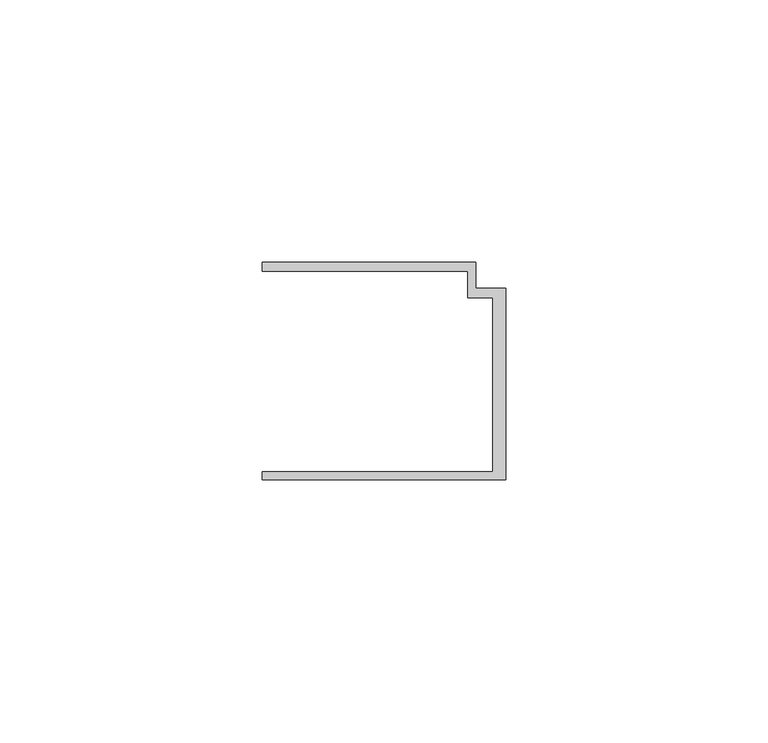
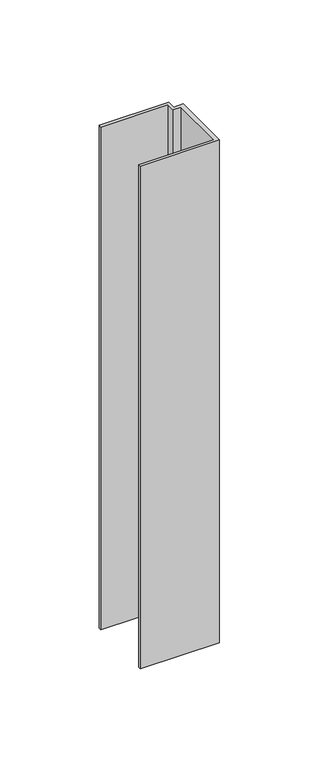
"""IFC4 building model written with IfcOpenShell, lengths in millimetres: member geometry."""

import ifcopenshell
import ifcopenshell.guid

model = None  # the IFC model being written
_history = None  # IfcOwnerHistory: only IFC2X3 demands one
_inside = {}  # id of a spatial element -> (the spatial element, [elements in it])
_under = {}  # id of a project, library or spatial element -> (it, [spatial elements below it])
_declared = {}  # id of a project -> (the project, [libraries it declares])
_typed = {}  # id of a type object -> (the type object, [elements of that type])
_made_of = {}  # id of a material, layer set ... -> (it, [elements and type objects made of it])


def new_model(schema):
    """Start an empty IFC model of exactly this schema.

    Asked for "IFC4X3", IfcOpenShell would pick the latest addendum, in which some entities
    have other attributes; the version numbers below select the first issue.
    IFC2X3 requires an IfcOwnerHistory on every rooted entity: one is made here for all.
    """
    global model, _history
    if schema == "IFC4X3":
        model = ifcopenshell.file(schema_version=(4, 3, 0, 0))
    else:
        model = ifcopenshell.file(schema=schema)
    _inside.clear()
    _under.clear()
    _declared.clear()
    _typed.clear()
    _made_of.clear()
    _history = None
    if model.schema == "IFC2X3":
        org = make("IfcOrganization", Name="unknown")
        user = make(
            "IfcPersonAndOrganization",
            ThePerson=make("IfcPerson", FamilyName="unknown"),
            TheOrganization=org,
        )
        app = make(
            "IfcApplication",
            ApplicationDeveloper=org,
            Version="unknown",
            ApplicationFullName="unknown",
            ApplicationIdentifier="unknown",
        )
        _history = make(
            "IfcOwnerHistory",
            OwningUser=user,
            OwningApplication=app,
            ChangeAction="ADDED",
            CreationDate=0,
        )
    return model


def make(cls, **values):
    """One entity of the class cls with the attributes given. An attribute that is None is left unset."""
    return model.create_entity(
        cls, **{name: value for name, value in values.items() if value is not None}
    )


def rooted(cls, **values):
    """An entity with a GlobalId (a new one), such as an element, a storey or a relation."""
    return make(cls, GlobalId=ifcopenshell.guid.new(), OwnerHistory=_history, **values)


def si_unit(unit_type, name, prefix=None):
    """IfcSIUnit, for example si_unit("LENGTHUNIT", "METRE", prefix="MILLI")."""
    return make("IfcSIUnit", UnitType=unit_type, Prefix=prefix, Name=name)


def assignment(units):
    """IfcUnitAssignment: the units of a project."""
    return None if units is None else make("IfcUnitAssignment", Units=units)


def point(xyz):
    """IfcCartesianPoint."""
    return None if xyz is None else make("IfcCartesianPoint", Coordinates=xyz)


def direction(xyz):
    """IfcDirection."""
    return None if xyz is None else make("IfcDirection", DirectionRatios=xyz)


def frame(location, z_axis=None, x_axis=None):
    """IfcAxis2Placement3D, a coordinate frame: its origin and axes. An axis left out is left unset."""
    return make(
        "IfcAxis2Placement3D",
        Location=point(location),
        Axis=direction(z_axis),
        RefDirection=direction(x_axis),
    )


def origin():
    """The frame at (0, 0, 0) with its axes left unset."""
    return frame((0.0, 0.0, 0.0))


def place(relative_to, where):
    """IfcLocalPlacement: puts the frame where relative to a parent placement (None: the world)."""
    return make(
        "IfcLocalPlacement", PlacementRelTo=relative_to, RelativePlacement=where
    )


def context(
    kind, dimensions, precision=None, world=None, true_north=None, identifier=None
):
    """IfcGeometricRepresentationContext, for example the 3D "Model" context."""
    return make(
        "IfcGeometricRepresentationContext",
        ContextIdentifier=identifier,
        ContextType=kind,
        CoordinateSpaceDimension=dimensions,
        Precision=precision,
        WorldCoordinateSystem=world,
        TrueNorth=true_north,
    )


def project(units=None, contexts=None):
    """IfcProject with its units and contexts."""
    return rooted(
        "IfcProject",
        Name="project",
        RepresentationContexts=contexts,
        UnitsInContext=assignment(units),
    )


def spatial(cls, under=None, at=None, **own):
    """A site, building, storey or space (cls), placed at a placement, below another one or the project."""
    s = rooted(cls, ObjectPlacement=at, **own)
    if under is not None:
        _under.setdefault(under.id(), (under, []))[1].append(s)
    return s


def polyline(points):
    """IfcPolyline through the points."""
    return make("IfcPolyline", Points=[point(p) for p in points])


def outline(outer, holes=None, kind="AREA"):
    """IfcArbitraryClosedProfileDef: a profile drawn as a closed curve; with holes, ...WithVoids."""
    if holes is None:
        return make("IfcArbitraryClosedProfileDef", ProfileType=kind, OuterCurve=outer)
    return make(
        "IfcArbitraryProfileDefWithVoids",
        ProfileType=kind,
        OuterCurve=outer,
        InnerCurves=holes,
    )


def extrude(swept, where, along, depth):
    """IfcExtrudedAreaSolid: the profile swept, set in the frame where, extruded along a direction by depth."""
    return make(
        "IfcExtrudedAreaSolid",
        SweptArea=swept,
        Position=where,
        ExtrudedDirection=direction(along),
        Depth=depth,
    )


def shape(context_of_items, identifier, shape_type, items):
    """IfcShapeRepresentation: the items that make up one representation, for example the "Body"."""
    return make(
        "IfcShapeRepresentation",
        ContextOfItems=context_of_items,
        RepresentationIdentifier=identifier,
        RepresentationType=shape_type,
        Items=items,
    )


def source(mapping_origin, context_of_items, identifier, shape_type, items):
    """IfcRepresentationMap: a shape defined once, which mapped items show again and again."""
    return make(
        "IfcRepresentationMap",
        MappingOrigin=mapping_origin,
        MappedRepresentation=shape(context_of_items, identifier, shape_type, items),
    )


def transform(
    local_origin,
    x_axis=None,
    y_axis=None,
    z_axis=None,
    scale=None,
    scale2=None,
    scale3=None,
    uniform=True,
):
    """IfcCartesianTransformationOperator3D, or its non-uniform kind. x_axis, y_axis, z_axis: its Axis1, 2, 3."""
    if uniform:
        return make(
            "IfcCartesianTransformationOperator3D",
            Axis1=direction(x_axis),
            Axis2=direction(y_axis),
            LocalOrigin=point(local_origin),
            Scale=scale,
            Axis3=direction(z_axis),
        )
    return make(
        "IfcCartesianTransformationOperator3DnonUniform",
        Axis1=direction(x_axis),
        Axis2=direction(y_axis),
        LocalOrigin=point(local_origin),
        Scale=scale,
        Axis3=direction(z_axis),
        Scale2=scale2,
        Scale3=scale3,
    )


def mapped(mapping_source, mapping_target):
    """IfcMappedItem: shows the shape of a source again, moved by a transform."""
    return make(
        "IfcMappedItem", MappingSource=mapping_source, MappingTarget=mapping_target
    )


def made_of(thing, what):
    """Note that an element or type object is made of a material, layer set ...; save() writes the relation."""
    if what is not None:
        _made_of.setdefault(what.id(), (what, []))[1].append(thing)
    return thing


def element(
    cls,
    number,
    at=None,
    inside=None,
    cuts=None,
    type_object=None,
    material=None,
    context=None,
    identifier="Body",
    shape_type=None,
    held_by="IfcProductDefinitionShape",
    body=None,
    shapes=None,
    **own,
):
    """One element of the class cls, such as IfcWall. Its Tag is "e" and its number.

    at: its placement. inside: the storey or other place that contains it. cuts: it is an
    opening in that element (IfcRelVoidsElement). A single representation is given by context,
    identifier, shape_type and body (its items); several are given by shapes. held_by: the class
    of the entity that holds the representations. save() writes the other relations.
    """
    e = rooted(cls, Tag="e%d" % number, ObjectPlacement=at, **own)
    if body is not None:
        shapes = [shape(context, identifier, shape_type, body)]
    if shapes is not None:
        e.Representation = make(held_by, Representations=shapes)
    if inside is not None:
        _inside.setdefault(inside.id(), (inside, []))[1].append(e)
    if cuts is not None:
        rooted(
            "IfcRelVoidsElement", RelatingBuildingElement=cuts, RelatedOpeningElement=e
        )
    if type_object is not None:
        _typed.setdefault(type_object.id(), (type_object, []))[1].append(e)
    return made_of(e, material)


def aggregate(whole, parts):
    """IfcRelAggregates: a whole, such as a stair, and the parts it consists of."""
    return rooted("IfcRelAggregates", RelatingObject=whole, RelatedObjects=parts)


def save(model, path):
    """Write the relations noted so far, then the file.

    IfcRelAggregates (storeys below a building ...), IfcRelContainedInSpatialStructure (elements
    in a storey), IfcRelDefinesByType, IfcRelAssociatesMaterial and IfcRelDeclares: one each for
    every whole, place, type object, material and project.
    """
    for whole, parts in _under.values():
        aggregate(whole, parts)
    for where, things in _inside.values():
        rooted(
            "IfcRelContainedInSpatialStructure",
            RelatedElements=things,
            RelatingStructure=where,
        )
    for kind, things in _typed.values():
        rooted("IfcRelDefinesByType", RelatedObjects=things, RelatingType=kind)
    for what, things in _made_of.values():
        rooted("IfcRelAssociatesMaterial", RelatedObjects=things, RelatingMaterial=what)
    for by, libraries in _declared.values():
        rooted("IfcRelDeclares", RelatingContext=by, RelatedDefinitions=libraries)
    model.write(path)


def member_15f9350d(model_context):
    return source(origin(), model_context, "Body", "SweptSolid", [
        extrude(outline(polyline([(-46.3, -19.2), (-2.4, -19.2), (-2.4, 14.0), (-7.2, 14.0), (-7.2, 19.0), (-46.3, 19.0), (-46.3, 20.7), (-5.6999992, 20.7), (-5.6999992, 15.8), (0.0, 15.8), (0.0, -20.7), (-46.3, -20.7), (-46.3, -19.2)])), frame((0.0, 0.0, -309.9001021), z_axis=(0.0, 0.0, 1.0), x_axis=(1.0, 0.0, 0.0)), (0.0, 0.0, 1.0), 309.9001021),
    ])


if __name__ == "__main__":
    model = new_model("IFC4")
    model_context = context("Model", 3, world=origin())
    ifc_project = project(units=[si_unit("LENGTHUNIT", "METRE", prefix="MILLI")], contexts=[model_context])
    site = spatial("IfcSite", under=ifc_project)
    building = spatial("IfcBuilding", under=site)
    placement = place(None, origin())
    member_shape = member_15f9350d(model_context)
    element("IfcMember", 1, at=placement, inside=building, context=model_context, shape_type="MappedRepresentation", body=[
        mapped(member_shape, transform((0.0, 0.0, 0.0), x_axis=(1.0, 0.0, 0.0), y_axis=(0.0, 1.0, 0.0), z_axis=(0.0, 0.0, 1.0))),
    ])
    save(model, "model.ifc")
